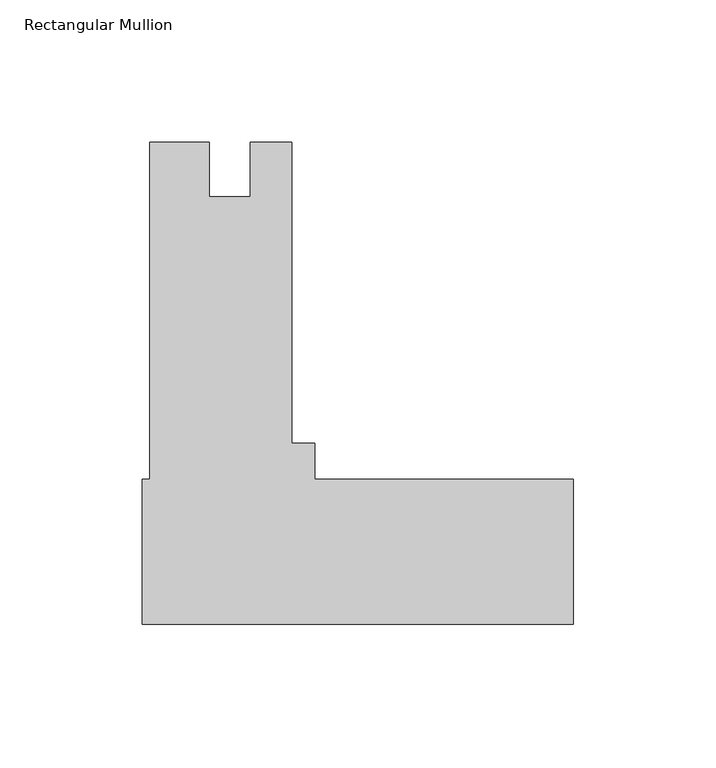
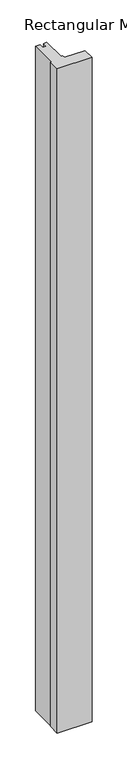
"""IFC4 building model written with IfcOpenShell, lengths in millimetres: member geometry, Rectangular Mullion."""

from ifc_helpers import new_model, si_unit, frame, origin, place, context, project, spatial, polyline, outline, extrude, source, transform, mapped, element, save


def rectangular_mullion_c86f24ba(model_context):
    return source(origin(), model_context, "Body", "SweptSolid", [
        extrude(outline(polyline([(-151.1808, 60.325), (-148.61159, 60.325), (-148.61159, 178.59375), (-127.7365889, 178.59375), (-127.7365889, 159.5691513), (-113.41989, 159.5691513), (-113.41989, 178.5937513), (-98.82759, 178.5937513), (-98.82759, 73.025), (-90.6526, 73.025), (-90.6526, 60.325), (0.0, 60.325), (0.0, 9.525), (-151.1808, 9.525), (-151.1808, 60.325)])), frame((0.0, 0.0, -3048.0), z_axis=(0.0, 0.0, 1.0), x_axis=(1.0, 0.0, 0.0)), (0.0, 0.0, 1.0), 3048.0),
    ])


if __name__ == "__main__":
    model = new_model("IFC4")
    model_context = context("Model", 3, world=origin())
    ifc_project = project(units=[si_unit("LENGTHUNIT", "METRE", prefix="MILLI")], contexts=[model_context])
    site = spatial("IfcSite", under=ifc_project)
    building = spatial("IfcBuilding", under=site)
    placement = place(None, origin())
    rectangular_mullion_shape = rectangular_mullion_c86f24ba(model_context)
    element("IfcMember", 1, ObjectType="Rectangular Mullion", at=placement, inside=building, context=model_context, shape_type="MappedRepresentation", body=[
        mapped(rectangular_mullion_shape, transform((0.0, 0.0, 0.0), x_axis=(1.0, 0.0, 0.0), y_axis=(0.0, 1.0, 0.0), z_axis=(0.0, 0.0, 1.0))),
    ])
    save(model, "model.ifc")
